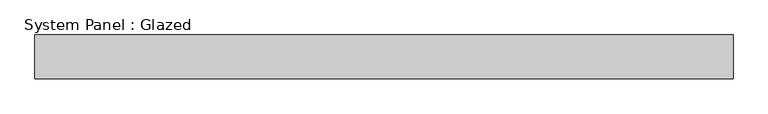
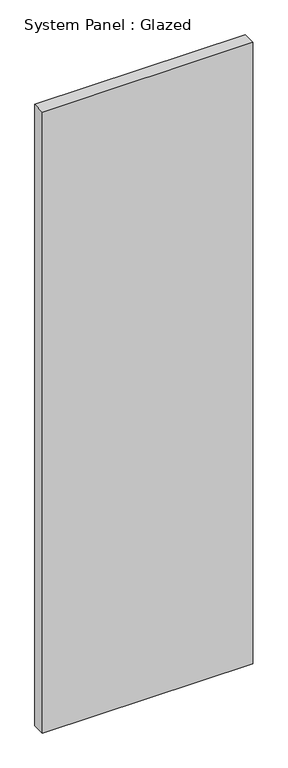
"""IFC4 building model written with IfcOpenShell, lengths in millimetres: plate geometry, System Panel : Glazed."""

import ifcopenshell
import ifcopenshell.guid

model = None  # the IFC model being written
_history = None  # IfcOwnerHistory: only IFC2X3 demands one
_inside = {}  # id of a spatial element -> (the spatial element, [elements in it])
_under = {}  # id of a project, library or spatial element -> (it, [spatial elements below it])
_declared = {}  # id of a project -> (the project, [libraries it declares])
_typed = {}  # id of a type object -> (the type object, [elements of that type])
_made_of = {}  # id of a material, layer set ... -> (it, [elements and type objects made of it])


def new_model(schema):
    """Start an empty IFC model of exactly this schema.

    Asked for "IFC4X3", IfcOpenShell would pick the latest addendum, in which some entities
    have other attributes; the version numbers below select the first issue.
    IFC2X3 requires an IfcOwnerHistory on every rooted entity: one is made here for all.
    """
    global model, _history
    if schema == "IFC4X3":
        model = ifcopenshell.file(schema_version=(4, 3, 0, 0))
    else:
        model = ifcopenshell.file(schema=schema)
    _inside.clear()
    _under.clear()
    _declared.clear()
    _typed.clear()
    _made_of.clear()
    _history = None
    if model.schema == "IFC2X3":
        org = make("IfcOrganization", Name="unknown")
        user = make(
            "IfcPersonAndOrganization",
            ThePerson=make("IfcPerson", FamilyName="unknown"),
            TheOrganization=org,
        )
        app = make(
            "IfcApplication",
            ApplicationDeveloper=org,
            Version="unknown",
            ApplicationFullName="unknown",
            ApplicationIdentifier="unknown",
        )
        _history = make(
            "IfcOwnerHistory",
            OwningUser=user,
            OwningApplication=app,
            ChangeAction="ADDED",
            CreationDate=0,
        )
    return model


def make(cls, **values):
    """One entity of the class cls with the attributes given. An attribute that is None is left unset."""
    return model.create_entity(
        cls, **{name: value for name, value in values.items() if value is not None}
    )


def rooted(cls, **values):
    """An entity with a GlobalId (a new one), such as an element, a storey or a relation."""
    return make(cls, GlobalId=ifcopenshell.guid.new(), OwnerHistory=_history, **values)


def si_unit(unit_type, name, prefix=None):
    """IfcSIUnit, for example si_unit("LENGTHUNIT", "METRE", prefix="MILLI")."""
    return make("IfcSIUnit", UnitType=unit_type, Prefix=prefix, Name=name)


def assignment(units):
    """IfcUnitAssignment: the units of a project."""
    return None if units is None else make("IfcUnitAssignment", Units=units)


def point(xyz):
    """IfcCartesianPoint."""
    return None if xyz is None else make("IfcCartesianPoint", Coordinates=xyz)


def direction(xyz):
    """IfcDirection."""
    return None if xyz is None else make("IfcDirection", DirectionRatios=xyz)


def frame(location, z_axis=None, x_axis=None):
    """IfcAxis2Placement3D, a coordinate frame: its origin and axes. An axis left out is left unset."""
    return make(
        "IfcAxis2Placement3D",
        Location=point(location),
        Axis=direction(z_axis),
        RefDirection=direction(x_axis),
    )


def origin():
    """The frame at (0, 0, 0) with its axes left unset."""
    return frame((0.0, 0.0, 0.0))


def origin_with_axes():
    """The frame at (0, 0, 0) with the z axis (0, 0, 1) and the x axis (1, 0, 0) written out."""
    return frame((0.0, 0.0, 0.0), z_axis=(0.0, 0.0, 1.0), x_axis=(1.0, 0.0, 0.0))


def place(relative_to, where):
    """IfcLocalPlacement: puts the frame where relative to a parent placement (None: the world)."""
    return make(
        "IfcLocalPlacement", PlacementRelTo=relative_to, RelativePlacement=where
    )


def context(
    kind, dimensions, precision=None, world=None, true_north=None, identifier=None
):
    """IfcGeometricRepresentationContext, for example the 3D "Model" context."""
    return make(
        "IfcGeometricRepresentationContext",
        ContextIdentifier=identifier,
        ContextType=kind,
        CoordinateSpaceDimension=dimensions,
        Precision=precision,
        WorldCoordinateSystem=world,
        TrueNorth=true_north,
    )


def project(units=None, contexts=None):
    """IfcProject with its units and contexts."""
    return rooted(
        "IfcProject",
        Name="project",
        RepresentationContexts=contexts,
        UnitsInContext=assignment(units),
    )


def spatial(cls, under=None, at=None, **own):
    """A site, building, storey or space (cls), placed at a placement, below another one or the project."""
    s = rooted(cls, ObjectPlacement=at, **own)
    if under is not None:
        _under.setdefault(under.id(), (under, []))[1].append(s)
    return s


def polyline(points):
    """IfcPolyline through the points."""
    return make("IfcPolyline", Points=[point(p) for p in points])


def outline(outer, holes=None, kind="AREA"):
    """IfcArbitraryClosedProfileDef: a profile drawn as a closed curve; with holes, ...WithVoids."""
    if holes is None:
        return make("IfcArbitraryClosedProfileDef", ProfileType=kind, OuterCurve=outer)
    return make(
        "IfcArbitraryProfileDefWithVoids",
        ProfileType=kind,
        OuterCurve=outer,
        InnerCurves=holes,
    )


def extrude(swept, where, along, depth):
    """IfcExtrudedAreaSolid: the profile swept, set in the frame where, extruded along a direction by depth."""
    return make(
        "IfcExtrudedAreaSolid",
        SweptArea=swept,
        Position=where,
        ExtrudedDirection=direction(along),
        Depth=depth,
    )


def shape(context_of_items, identifier, shape_type, items):
    """IfcShapeRepresentation: the items that make up one representation, for example the "Body"."""
    return make(
        "IfcShapeRepresentation",
        ContextOfItems=context_of_items,
        RepresentationIdentifier=identifier,
        RepresentationType=shape_type,
        Items=items,
    )


def source(mapping_origin, context_of_items, identifier, shape_type, items):
    """IfcRepresentationMap: a shape defined once, which mapped items show again and again."""
    return make(
        "IfcRepresentationMap",
        MappingOrigin=mapping_origin,
        MappedRepresentation=shape(context_of_items, identifier, shape_type, items),
    )


def transform(
    local_origin,
    x_axis=None,
    y_axis=None,
    z_axis=None,
    scale=None,
    scale2=None,
    scale3=None,
    uniform=True,
):
    """IfcCartesianTransformationOperator3D, or its non-uniform kind. x_axis, y_axis, z_axis: its Axis1, 2, 3."""
    if uniform:
        return make(
            "IfcCartesianTransformationOperator3D",
            Axis1=direction(x_axis),
            Axis2=direction(y_axis),
            LocalOrigin=point(local_origin),
            Scale=scale,
            Axis3=direction(z_axis),
        )
    return make(
        "IfcCartesianTransformationOperator3DnonUniform",
        Axis1=direction(x_axis),
        Axis2=direction(y_axis),
        LocalOrigin=point(local_origin),
        Scale=scale,
        Axis3=direction(z_axis),
        Scale2=scale2,
        Scale3=scale3,
    )


def mapped(mapping_source, mapping_target):
    """IfcMappedItem: shows the shape of a source again, moved by a transform."""
    return make(
        "IfcMappedItem", MappingSource=mapping_source, MappingTarget=mapping_target
    )


def made_of(thing, what):
    """Note that an element or type object is made of a material, layer set ...; save() writes the relation."""
    if what is not None:
        _made_of.setdefault(what.id(), (what, []))[1].append(thing)
    return thing


def element(
    cls,
    number,
    at=None,
    inside=None,
    cuts=None,
    type_object=None,
    material=None,
    context=None,
    identifier="Body",
    shape_type=None,
    held_by="IfcProductDefinitionShape",
    body=None,
    shapes=None,
    **own,
):
    """One element of the class cls, such as IfcWall. Its Tag is "e" and its number.

    at: its placement. inside: the storey or other place that contains it. cuts: it is an
    opening in that element (IfcRelVoidsElement). A single representation is given by context,
    identifier, shape_type and body (its items); several are given by shapes. held_by: the class
    of the entity that holds the representations. save() writes the other relations.
    """
    e = rooted(cls, Tag="e%d" % number, ObjectPlacement=at, **own)
    if body is not None:
        shapes = [shape(context, identifier, shape_type, body)]
    if shapes is not None:
        e.Representation = make(held_by, Representations=shapes)
    if inside is not None:
        _inside.setdefault(inside.id(), (inside, []))[1].append(e)
    if cuts is not None:
        rooted(
            "IfcRelVoidsElement", RelatingBuildingElement=cuts, RelatedOpeningElement=e
        )
    if type_object is not None:
        _typed.setdefault(type_object.id(), (type_object, []))[1].append(e)
    return made_of(e, material)


def aggregate(whole, parts):
    """IfcRelAggregates: a whole, such as a stair, and the parts it consists of."""
    return rooted("IfcRelAggregates", RelatingObject=whole, RelatedObjects=parts)


def save(model, path):
    """Write the relations noted so far, then the file.

    IfcRelAggregates (storeys below a building ...), IfcRelContainedInSpatialStructure (elements
    in a storey), IfcRelDefinesByType, IfcRelAssociatesMaterial and IfcRelDeclares: one each for
    every whole, place, type object, material and project.
    """
    for whole, parts in _under.values():
        aggregate(whole, parts)
    for where, things in _inside.values():
        rooted(
            "IfcRelContainedInSpatialStructure",
            RelatedElements=things,
            RelatingStructure=where,
        )
    for kind, things in _typed.values():
        rooted("IfcRelDefinesByType", RelatedObjects=things, RelatingType=kind)
    for what, things in _made_of.values():
        rooted("IfcRelAssociatesMaterial", RelatedObjects=things, RelatingMaterial=what)
    for by, libraries in _declared.values():
        rooted("IfcRelDeclares", RelatingContext=by, RelatedDefinitions=libraries)
    model.write(path)


def system_panel_glazed_53bbfc1f(model_context):
    return source(origin(), model_context, "Body", "SweptSolid", [
        extrude(outline(polyline([(800.0, -150.0), (-800.0, -150.0), (-800.0, -50.0), (800.0, -50.0), (800.0, -150.0)])), origin_with_axes(), (0.0, 0.0, 1.0), 5000.0),
    ])


if __name__ == "__main__":
    model = new_model("IFC4")
    model_context = context("Model", 3, world=origin())
    ifc_project = project(units=[si_unit("LENGTHUNIT", "METRE", prefix="MILLI")], contexts=[model_context])
    site = spatial("IfcSite", under=ifc_project)
    building = spatial("IfcBuilding", under=site)
    placement = place(None, origin())
    system_panel_glazed_shape = system_panel_glazed_53bbfc1f(model_context)
    element("IfcPlate", 1, ObjectType="System Panel : Glazed", at=placement, inside=building, context=model_context, shape_type="MappedRepresentation", body=[
        mapped(system_panel_glazed_shape, transform((0.0, 0.0, 0.0), x_axis=(1.0, 0.0, 0.0), y_axis=(0.0, 1.0, 0.0), z_axis=(0.0, 0.0, 1.0))),
    ])
    save(model, "model.ifc")
